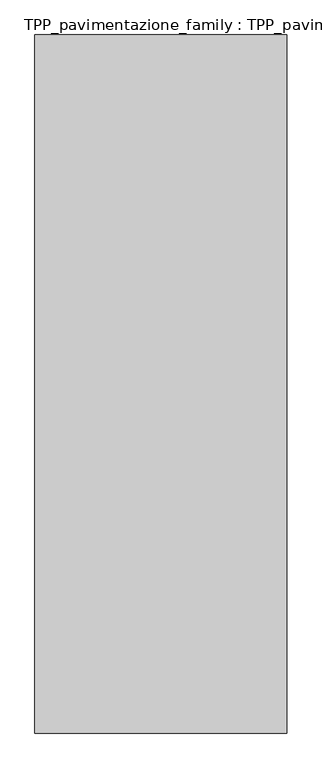
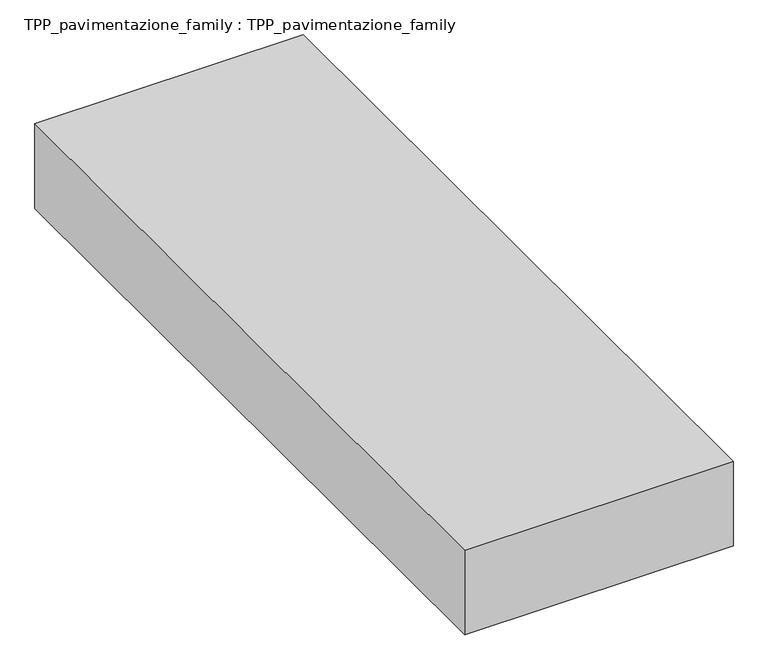
"""IFC4 building model written with IfcOpenShell, lengths in millimetres: proxy geometry, TPP_pavimentazione_family : TPP_pavimentazione_family."""

from ifc_helpers import new_model, si_unit, origin, origin_with_axes, place, context, project, spatial, polyline, outline, extrude, source, transform, mapped, element, save


def tpp_pavimentazione_family_tpp_pavimentazione_family_d5bbc1c9(model_context):
    return source(origin(), model_context, "Body", "SweptSolid", [
        extrude(outline(polyline([(511.8146187, 354.2201026), (511.8146187, -2139.2446475), (-388.1763, -2139.2446475), (-388.1763, 354.2201026), (511.8146187, 354.2201026)])), origin_with_axes(), (0.0, 0.0, 1.0), 300.0),
    ])


if __name__ == "__main__":
    model = new_model("IFC4")
    model_context = context("Model", 3, world=origin())
    ifc_project = project(units=[si_unit("LENGTHUNIT", "METRE", prefix="MILLI")], contexts=[model_context])
    site = spatial("IfcSite", under=ifc_project)
    building = spatial("IfcBuilding", under=site)
    placement = place(None, origin())
    tpp_pavimentazione_family_tpp_pavimentazione_family_shape = tpp_pavimentazione_family_tpp_pavimentazione_family_d5bbc1c9(model_context)
    element("IfcBuildingElementProxy", 1, Name="TPP_pavimentazione_family : TPP_pavimentazione_family", ObjectType="TPP_pavimentazione_family : TPP_pavimentazione_family", at=placement, inside=building, context=model_context, shape_type="MappedRepresentation", body=[
        mapped(tpp_pavimentazione_family_tpp_pavimentazione_family_shape, transform((0.0, 0.0, 0.0), x_axis=(1.0, 0.0, 0.0), y_axis=(0.0, 1.0, 0.0), z_axis=(0.0, 0.0, 1.0))),
    ])
    save(model, "model.ifc")
